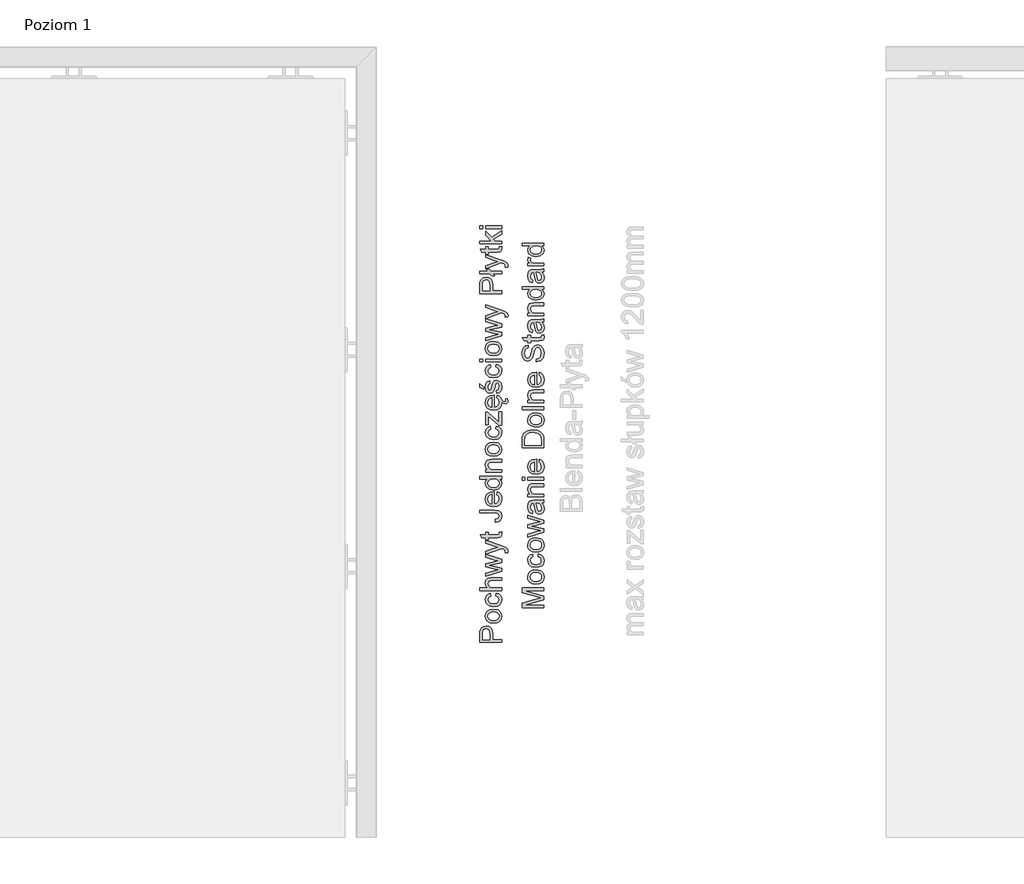
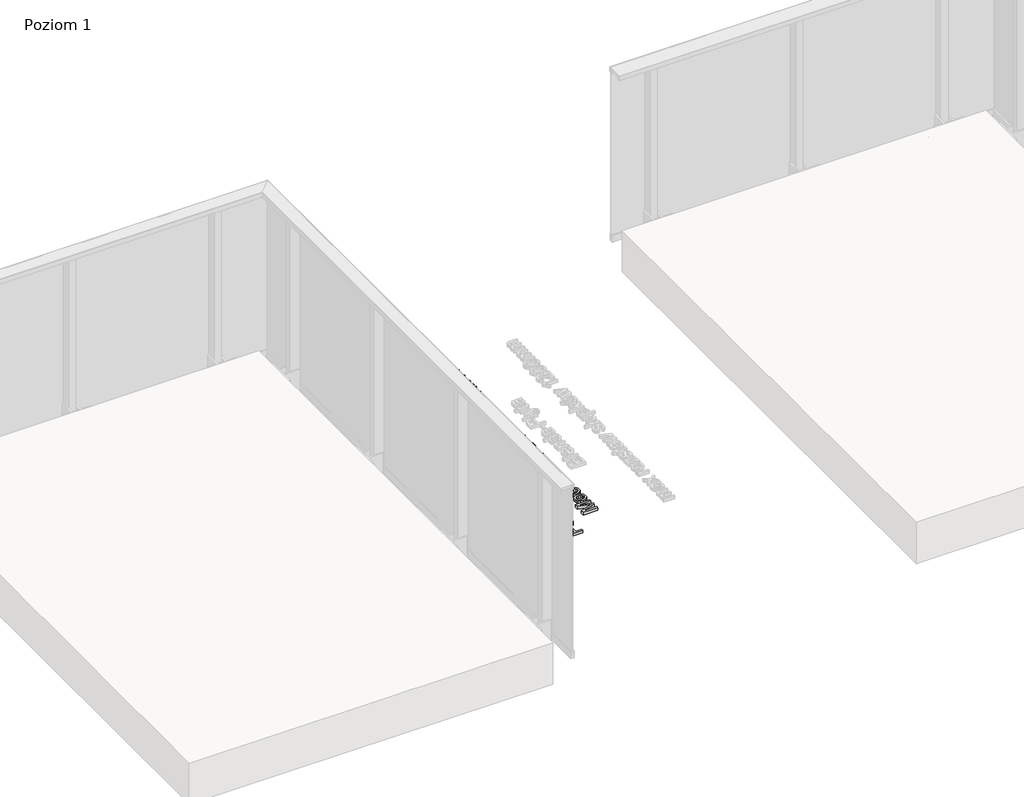
# One storey, part 31 of 35: 2 proxies.
"""IFC4 building model written with IfcOpenShell, lengths in millimetres."""

from ifc_helpers import new_model, si_unit, origin, origin_with_axes, place, context, project, spatial, polyline, outline, extrude, element, save

model = new_model("IFC4")

# Units and contexts
model_context = context("Model", 3, world=origin())
ifc_project = project(units=[si_unit("LENGTHUNIT", "METRE", prefix="MILLI")], contexts=[model_context])

# Site, building, storey
site = spatial("IfcSite", under=ifc_project)
building = spatial("IfcBuilding", under=site)
storey = spatial("IfcBuildingStorey", under=building, Name="Poziom 1", Elevation=0.0)

# Proxies
placement = place(None, origin())
element("IfcBuildingElementProxy", 1, Name="Generic Models", at=placement, inside=storey, context=model_context, shape_type="SweptSolid", body=[
    extrude(outline(polyline([(10115.5993765, 1269.5838992), (10015.1430664, 1269.5838992), (10015.1430664, 1306.8135571), (10016.0995596, 1321.8231425), (10020.7961864, 1334.024562), (10030.508271, 1341.9340249), (10044.205744, 1344.9261318), (10056.0454129, 1342.9058465), (10065.9107817, 1336.8449907), (10072.5694458, 1325.5111595), (10074.7890005, 1307.6719485), (10074.7890005, 1282.140938), (10115.5993765, 1282.140938), (10115.5993765, 1269.5838992)]), holes=[polyline([(10062.2319618, 1282.140938), (10062.2319618, 1308.4077124), (10057.6211741, 1326.8999141), (10052.0722873, 1331.0017983), (10044.6472024, 1332.3690931), (10034.2484047, 1329.1439942), (10028.5584965, 1320.6704456), (10027.7001052, 1308.1134068), (10027.7001052, 1282.140938), (10062.2319618, 1282.140938)])]), origin_with_axes(), (0.0, 0.0, 1.0), 20.0),
    extrude(outline(polyline([(10078.7130752, 1357.4831706), (10060.9259807, 1360.199366), (10048.4241242, 1368.3479522), (10042.298889, 1378.4156561), (10040.2571439, 1390.4699228), (10042.7434131, 1403.661558), (10050.2022205, 1414.1983115), (10062.0449551, 1421.105296), (10077.6830056, 1423.4076241), (10100.0257054, 1419.3363967), (10112.6685833, 1407.4783337), (10117.1690064, 1390.4699228), (10114.6919343, 1377.1188721), (10107.260718, 1366.5943813), (10095.1696631, 1359.7609733), (10078.7130752, 1357.4831706)]), holes=[polyline([(10078.6885497, 1370.0402094), (10090.0530377, 1371.4933433), (10098.1495072, 1375.8527449), (10102.9963525, 1382.4133071), (10104.6119676, 1390.4699228), (10102.9871555, 1398.4897503), (10098.112719, 1405.0380498), (10089.9089505, 1409.3974515), (10078.2961422, 1410.8505854), (10067.2627481, 1409.3882544), (10059.2766431, 1405.0012616), (10054.4297978, 1398.4437651), (10052.8141827, 1390.4699228), (10054.4236664, 1382.4133071), (10059.2521176, 1375.8527449), (10067.3301931, 1371.4933433), (10078.6885497, 1370.0402094)])]), origin_with_axes(), (0.0, 0.0, 1.0), 20.0),
    extrude(outline(polyline([(10088.9156692, 1484.6231881), (10090.485299, 1497.1802269), (10101.6535832, 1493.6792166), (10110.0934093, 1487.1002602), (10115.4001071, 1478.0626259), (10117.1690064, 1467.1855816), (10114.7011313, 1453.8283995), (10107.2975062, 1443.3836165), (10095.2830934, 1436.6421789), (10078.9828553, 1434.3950331), (10058.1239462, 1438.2332685), (10044.7207788, 1449.931916), (10040.2571439, 1467.0139033), (10041.7899856, 1477.6242332), (10046.3885105, 1486.1069788), (10053.8074641, 1492.1923602), (10063.8015916, 1495.6105971), (10065.3712215, 1483.0535583), (10055.9657051, 1477.22876), (10052.8141827, 1467.1120052), (10054.3654184, 1458.9971415), (10059.0191257, 1452.5561409), (10067.0266904, 1448.3530891), (10078.6394988, 1446.9520718), (10090.4086569, 1448.3224323), (10098.4438128, 1452.4335136), (10103.0699289, 1458.7580182), (10104.6119676, 1466.7686486), (10100.7614694, 1478.6021861), (10088.9156692, 1484.6231881)])), origin_with_axes(), (0.0, 0.0, 1.0), 20.0),
    extrude(outline(polyline([(10115.5993765, 1508.1676358), (10015.1430664, 1508.1676358), (10015.1430664, 1520.7246746), (10052.0784187, 1520.7246746), (10043.2124626, 1530.516467), (10040.2571439, 1542.5768651), (10043.4822427, 1556.6790083), (10052.3972498, 1565.238396), (10068.9028886, 1567.81357), (10115.5993765, 1567.81357), (10115.5993765, 1555.2565312), (10070.2027383, 1555.2565312), (10056.9589865, 1551.2588802), (10052.8141827, 1539.9281147), (10055.6100859, 1529.6396816), (10063.188455, 1522.772551), (10076.4076813, 1520.7246746), (10115.5993765, 1520.7246746), (10115.5993765, 1508.1676358)])), origin_with_axes(), (0.0, 0.0, 1.0), 20.0),
    extrude(outline(polyline([(10115.5993765, 1597.317706), (10041.8267738, 1574.8769043), (10041.8267738, 1587.9244524), (10084.8689672, 1600.6531694), (10100.2464346, 1604.4546167), (10085.4330529, 1607.5693509), (10041.8267738, 1617.6983685), (10041.8267738, 1632.658903), (10085.3104256, 1642.7388697), (10098.7258557, 1645.5102474), (10084.5746616, 1649.4833729), (10041.8267738, 1662.2366154), (10041.8267738, 1675.3332144), (10115.5993765, 1652.7207345), (10115.5993765, 1637.5394708), (10072.3364539, 1627.9009625), (10058.8474474, 1625.1050594), (10115.5993765, 1612.6706479), (10115.5993765, 1597.317706)])), origin_with_axes(), (0.0, 0.0, 1.0), 20.0),
    extrude(outline(polyline([(10143.8527138, 1683.9661786), (10131.7616589, 1682.3965487), (10132.8653048, 1688.77317), (10131.479616, 1694.7328583), (10127.616855, 1698.3871528), (10118.3707542, 1701.8207181), (10115.3295964, 1702.8017367), (10041.8267738, 1676.1180294), (10041.8267738, 1689.3617812), (10082.7843026, 1703.5129753), (10099.1673141, 1708.442594), (10084.6972889, 1713.3722127), (10041.8267738, 1727.9158143), (10041.8267738, 1741.0614642), (10117.3652101, 1715.383301), (10133.7482216, 1708.7123741), (10142.601915, 1701.4283106), (10145.4223436, 1691.6426496), (10143.8527138, 1683.9661786)])), origin_with_axes(), (0.0, 0.0, 1.0), 20.0),
    extrude(outline(polyline([(10105.1270024, 1778.1439694), (10115.9672585, 1779.7135992), (10117.1690064, 1770.3203456), (10115.0843417, 1759.7989205), (10109.6151627, 1754.5504707), (10095.3658668, 1753.0298918), (10054.3838125, 1753.0298918), (10054.3838125, 1743.6121127), (10041.8267738, 1743.6121127), (10041.8267738, 1753.0298918), (10023.8986579, 1753.0298918), (10016.5164925, 1765.5869306), (10041.8267738, 1765.5869306), (10041.8267738, 1778.1439694), (10054.3838125, 1778.1439694), (10054.3838125, 1765.5869306), (10094.9979848, 1765.5869306), (10101.4727079, 1766.2491182), (10103.765839, 1768.3950965), (10104.6119676, 1772.6747904), (10105.1270024, 1778.1439694)])), origin_with_axes(), (0.0, 0.0, 1.0), 20.0),
    extrude(outline(polyline([(10087.3950902, 1825.2328647), (10085.7764095, 1837.7899035), (10100.6143166, 1842.0818601), (10104.6119676, 1852.6768616), (10102.343362, 1861.2730375), (10096.1629445, 1866.2517072), (10083.7162703, 1867.6128706), (10015.1430664, 1867.6128706), (10015.1430664, 1880.1699093), (10083.4955411, 1880.1699093), (10103.0055496, 1877.1410143), (10113.5392374, 1867.5270314), (10117.1690064, 1852.0882504), (10115.2958739, 1840.4815734), (10109.6764764, 1831.9528425), (10100.3598649, 1826.7779691), (10087.3950902, 1825.2328647)])), origin_with_axes(), (0.0, 0.0, 1.0), 20.0),
    extrude(outline(polyline([(10093.6245587, 1952.2257295), (10095.1941885, 1964.5375136), (10104.4709462, 1960.1014699), (10111.4055218, 1953.0228071), (10115.7281352, 1943.4609409), (10117.1690064, 1931.5752868), (10114.6827372, 1916.8416129), (10107.2239298, 1905.5047161), (10095.276962, 1898.2758349), (10079.3262118, 1895.8662078), (10062.8389671, 1898.3003603), (10050.5087889, 1905.6028179), (10042.8200552, 1916.7864306), (10040.2571439, 1930.8640483), (10042.8139238, 1944.5032733), (10050.4842634, 1955.4017774), (10062.7899161, 1962.5478851), (10079.2526354, 1964.929921), (10082.6371498, 1964.8563446), (10082.6371498, 1908.4232466), (10092.0365347, 1910.596816), (10098.9465849, 1915.6459964), (10103.1956219, 1922.9331256), (10104.6119676, 1931.8205415), (10101.9877427, 1944.1323256), (10093.6245587, 1952.2257295)]), holes=[polyline([(10070.080111, 1908.4232466), (10070.080111, 1952.3728823), (10058.7002946, 1947.3451617), (10054.2857107, 1940.02431), (10052.8141827, 1930.8149974), (10057.5108095, 1915.3516908), (10063.0014483, 1910.4864514), (10070.080111, 1908.4232466)])]), origin_with_axes(), (0.0, 0.0, 1.0), 20.0),
    extrude(outline(polyline([(10115.5993765, 2023.0062253), (10103.7535763, 2023.0062253), (10113.8151489, 2014.6982236), (10117.1690064, 2003.214174), (10112.312964, 1987.6650283), (10098.7626439, 1976.6776194), (10078.7866516, 1972.7780703), (10058.7983965, 1976.3710511), (10045.0396099, 1987.1377308), (10040.2571439, 2003.1651231), (10043.6784465, 2014.7411432), (10052.568928, 2023.0062253), (10015.1430664, 2023.0062253), (10015.1430664, 2035.5632641), (10115.5993765, 2035.5632641), (10115.5993765, 2023.0062253)]), holes=[polyline([(10078.7376006, 1985.335109), (10090.0959572, 1986.7514547), (10098.1740327, 1991.0004918), (10103.0024839, 1997.1747779), (10104.6119676, 2004.3668709), (10103.0760603, 2011.5558982), (10098.4683383, 2017.5738345), (10090.7029625, 2021.6481276), (10079.6940938, 2023.0062253), (10067.6582212, 2021.6236022), (10059.3134313, 2017.4757327), (10054.4389948, 2011.3045122), (10052.8141827, 2003.8518361), (10054.3746155, 1996.5861667), (10059.0559139, 1990.6326098), (10067.0972012, 1986.6594842), (10078.7376006, 1985.335109)])]), origin_with_axes(), (0.0, 0.0, 1.0), 20.0),
    extrude(outline(polyline([(10115.5993765, 2054.3988223), (10041.8267738, 2054.3988223), (10041.8267738, 2066.955861), (10052.1274696, 2066.955861), (10043.2247253, 2076.5575811), (10040.2571439, 2089.6664429), (10042.6483769, 2101.5245058), (10048.9268963, 2109.6179097), (10058.1607344, 2113.3825688), (10070.3008402, 2114.0447564), (10115.5993765, 2114.0447564), (10115.5993765, 2101.4877176), (10071.9930974, 2101.4877176), (10060.8830611, 2100.0407151), (10055.0092119, 2094.9271554), (10052.8141827, 2086.306454), (10057.7438014, 2072.6825574), (10064.8868435, 2068.3875351), (10076.4567322, 2066.955861), (10115.5993765, 2066.955861), (10115.5993765, 2054.3988223)])), origin_with_axes(), (0.0, 0.0, 1.0), 20.0),
    extrude(outline(polyline([(10078.7130752, 2128.171425), (10060.9259807, 2130.8876204), (10048.4241242, 2139.0362066), (10042.298889, 2149.1039106), (10040.2571439, 2161.1581773), (10042.7434131, 2174.3498125), (10050.2022205, 2184.886566), (10062.0449551, 2191.7935504), (10077.6830056, 2194.0958786), (10100.0257054, 2190.0246512), (10112.6685833, 2178.1665882), (10117.1690064, 2161.1581773), (10114.6919343, 2147.8071265), (10107.260718, 2137.2826358), (10095.1696631, 2130.4492277), (10078.7130752, 2128.171425)]), holes=[polyline([(10078.6885497, 2140.7284638), (10090.0530377, 2142.1815977), (10098.1495072, 2146.5409993), (10102.9963525, 2153.1015616), (10104.6119676, 2161.1581773), (10102.9871555, 2169.1780048), (10098.112719, 2175.7263043), (10089.9089505, 2180.0857059), (10078.2961422, 2181.5388398), (10067.2627481, 2180.0765089), (10059.2766431, 2175.6895161), (10054.4297978, 2169.1320195), (10052.8141827, 2161.1581773), (10054.4236664, 2153.1015616), (10059.2521176, 2146.5409993), (10067.3301931, 2142.1815977), (10078.6885497, 2140.7284638)])]), origin_with_axes(), (0.0, 0.0, 1.0), 20.0),
    extrude(outline(polyline([(10088.9156692, 2255.3114426), (10090.485299, 2267.8684813), (10101.6535832, 2264.367471), (10110.0934093, 2257.7885147), (10115.4001071, 2248.7508803), (10117.1690064, 2237.873836), (10114.7011313, 2224.5166539), (10107.2975062, 2214.0718709), (10095.2830934, 2207.3304333), (10078.9828553, 2205.0832875), (10058.1239462, 2208.921523), (10044.7207788, 2220.6201704), (10040.2571439, 2237.7021577), (10041.7899856, 2248.3124876), (10046.3885105, 2256.7952333), (10053.8074641, 2262.8806146), (10063.8015916, 2266.2988515), (10065.3712215, 2253.7418127), (10055.9657051, 2247.9170145), (10052.8141827, 2237.8002596), (10054.3654184, 2229.6853959), (10059.0191257, 2223.2443953), (10067.0266904, 2219.0413435), (10078.6394988, 2217.6403263), (10090.4086569, 2219.0106867), (10098.4438128, 2223.121768), (10103.0699289, 2229.4462726), (10104.6119676, 2237.4569031), (10100.7614694, 2249.2904406), (10088.9156692, 2255.3114426)])), origin_with_axes(), (0.0, 0.0, 1.0), 20.0),
    extrude(outline(polyline([(10115.5993765, 2271.007741), (10103.7781018, 2271.007741), (10054.3838125, 2314.3442401), (10054.3838125, 2301.5174212), (10054.3838125, 2274.1470007), (10041.8267738, 2274.1470007), (10041.8267738, 2332.223305), (10052.4953516, 2332.223305), (10096.32236, 2293.7918993), (10103.0423378, 2287.9057873), (10103.0423378, 2302.4248634), (10103.0423378, 2333.7929349), (10115.5993765, 2333.7929349), (10115.5993765, 2271.007741)])), origin_with_axes(), (0.0, 0.0, 1.0), 20.0),
    extrude(outline(polyline([(10093.6245587, 2398.0006058), (10095.1941885, 2410.3123899), (10104.4709462, 2405.8763461), (10111.4055218, 2398.7976834), (10115.768218, 2388.9051767), (10121.6694295, 2383.0278086), (10128.9902812, 2380.8818303), (10133.9689508, 2382.4146719), (10136.0045645, 2387.3810788), (10135.5631061, 2390.5203385), (10134.3858838, 2393.438869), (10143.0433734, 2393.438869), (10145.4223436, 2384.6342266), (10144.4167995, 2378.8584793), (10141.6454218, 2374.7382009), (10137.5864571, 2372.2733916), (10132.6691011, 2371.4640512), (10123.7540941, 2373.9165978), (10116.8755159, 2379.771147), (10117.1690064, 2377.3501631), (10114.6827372, 2362.6164892), (10107.2239298, 2351.2795924), (10095.276962, 2344.0507112), (10079.3262118, 2341.6410841), (10062.8389671, 2344.0752366), (10050.5087889, 2351.3776942), (10042.8200552, 2362.5613069), (10040.2571439, 2376.6389246), (10042.8139238, 2390.2781495), (10050.4842634, 2401.1766537), (10062.7899161, 2408.3227614), (10079.2526354, 2410.7047973), (10082.6371498, 2410.6312209), (10082.6371498, 2354.1981229), (10092.0365347, 2356.3716923), (10098.9465849, 2361.4208727), (10103.1956219, 2368.7080019), (10104.6119676, 2377.5954178), (10101.9877427, 2389.9072019), (10093.6245587, 2398.0006058)]), holes=[polyline([(10070.080111, 2354.1981229), (10070.080111, 2398.1477586), (10058.7002946, 2393.120038), (10054.2857107, 2385.7991863), (10052.8141827, 2376.5898736), (10057.5108095, 2361.1265671), (10063.0014483, 2356.2613277), (10070.080111, 2354.1981229)])]), origin_with_axes(), (0.0, 0.0, 1.0), 20.0),
    extrude(outline(polyline([(10093.6245587, 2418.5529466), (10092.0549288, 2431.1099853), (10101.3746061, 2436.9225208), (10104.6119676, 2450.2398491), (10101.6443862, 2463.0421425), (10094.6791537, 2467.2114718), (10089.0382965, 2463.017617), (10085.4575784, 2450.0926963), (10079.3139491, 2431.1835617), (10072.1402502, 2422.9307423), (10062.0112326, 2420.1225764), (10052.6547672, 2422.3789193), (10045.5055937, 2428.5348114), (10041.7899856, 2436.5178507), (10040.2571439, 2447.3213186), (10042.7219533, 2462.6006841), (10049.3928801, 2472.3127688), (10060.6623319, 2476.6292509), (10062.2319618, 2464.0722121), (10055.3035175, 2459.3510598), (10052.8141827, 2448.3023372), (10055.1931529, 2436.2848587), (10060.7359083, 2432.6796152), (10064.3902028, 2434.1756686), (10067.1615805, 2438.8600327), (10069.8348563, 2449.6757633), (10075.7454937, 2468.1066513), (10082.440946, 2476.6660391), (10093.3547786, 2479.7685106), (10105.3722571, 2476.1264788), (10114.0910604, 2465.6173165), (10117.1690064, 2450.0681708), (10115.6852157, 2437.4068988), (10111.2338435, 2428.1669294), (10103.8639409, 2421.9987746), (10093.6245587, 2418.5529466)])), origin_with_axes(), (0.0, 0.0, 1.0), 20.0),
    extrude(outline(polyline([(10033.9786245, 2437.3885047), (10015.1430664, 2446.8062838), (10015.1430664, 2462.5025822), (10033.9786245, 2446.8062838), (10033.9786245, 2437.3885047)])), origin_with_axes(), (0.0, 0.0, 1.0), 20.0),
    extrude(outline(polyline([(10088.9156692, 2540.9840746), (10090.485299, 2553.5411133), (10101.6535832, 2550.040103), (10110.0934093, 2543.4611467), (10115.4001071, 2534.4235123), (10117.1690064, 2523.546468), (10114.7011313, 2510.1892859), (10107.2975062, 2499.7445029), (10095.2830934, 2493.0030653), (10078.9828553, 2490.7559195), (10058.1239462, 2494.594155), (10044.7207788, 2506.2928024), (10040.2571439, 2523.3747897), (10041.7899856, 2533.9851196), (10046.3885105, 2542.4678653), (10053.8074641, 2548.5532466), (10063.8015916, 2551.9714835), (10065.3712215, 2539.4144447), (10055.9657051, 2533.5896464), (10052.8141827, 2523.4728916), (10054.3654184, 2515.3580279), (10059.0191257, 2508.9170273), (10067.0266904, 2504.7139755), (10078.6394988, 2503.3129582), (10090.4086569, 2504.6833187), (10098.4438128, 2508.7944), (10103.0699289, 2515.1189046), (10104.6119676, 2523.1295351), (10100.7614694, 2534.9630726), (10088.9156692, 2540.9840746)])), origin_with_axes(), (0.0, 0.0, 1.0), 20.0),
    extrude(outline(polyline([(10027.7001052, 2564.5285222), (10015.1430664, 2564.5285222), (10015.1430664, 2577.085561), (10027.7001052, 2577.085561), (10027.7001052, 2564.5285222)])), origin_with_axes(), (0.0, 0.0, 1.0), 20.0),
    extrude(outline(polyline([(10115.5993765, 2564.5285222), (10041.8267738, 2564.5285222), (10041.8267738, 2577.085561), (10115.5993765, 2577.085561), (10115.5993765, 2564.5285222)])), origin_with_axes(), (0.0, 0.0, 1.0), 20.0),
    extrude(outline(polyline([(10078.7130752, 2592.7818595), (10060.9259807, 2595.4980549), (10048.4241242, 2603.6466411), (10042.298889, 2613.714345), (10040.2571439, 2625.7686117), (10042.7434131, 2638.9602469), (10050.2022205, 2649.4970004), (10062.0449551, 2656.4039849), (10077.6830056, 2658.706313), (10100.0257054, 2654.6350856), (10112.6685833, 2642.7770226), (10117.1690064, 2625.7686117), (10114.6919343, 2612.417561), (10107.260718, 2601.8930702), (10095.1696631, 2595.0596622), (10078.7130752, 2592.7818595)]), holes=[polyline([(10078.6885497, 2605.3388982), (10090.0530377, 2606.7920321), (10098.1495072, 2611.1514338), (10102.9963525, 2617.711996), (10104.6119676, 2625.7686117), (10102.9871555, 2633.7884392), (10098.112719, 2640.3367387), (10089.9089505, 2644.6961404), (10078.2961422, 2646.1492742), (10067.2627481, 2644.6869433), (10059.2766431, 2640.2999505), (10054.4297978, 2633.742454), (10052.8141827, 2625.7686117), (10054.4236664, 2617.711996), (10059.2521176, 2611.1514338), (10067.3301931, 2606.7920321), (10078.6885497, 2605.3388982)])]), origin_with_axes(), (0.0, 0.0, 1.0), 20.0),
    extrude(outline(polyline([(10115.5993765, 2685.0711893), (10041.8267738, 2662.6303876), (10041.8267738, 2675.6779357), (10084.8689672, 2688.4066528), (10100.2464346, 2692.2081), (10085.4330529, 2695.3228343), (10041.8267738, 2705.4518519), (10041.8267738, 2720.4123863), (10085.3104256, 2730.492353), (10098.7258557, 2733.2637307), (10084.5746616, 2737.2368562), (10041.8267738, 2749.9900987), (10041.8267738, 2763.0866978), (10115.5993765, 2740.4742178), (10115.5993765, 2725.2929541), (10072.3364539, 2715.6544459), (10058.8474474, 2712.8585427), (10115.5993765, 2700.4241313), (10115.5993765, 2685.0711893)])), origin_with_axes(), (0.0, 0.0, 1.0), 20.0),
    extrude(outline(polyline([(10143.8527138, 2771.7196619), (10131.7616589, 2770.1500321), (10132.8653048, 2776.5266533), (10131.479616, 2782.4863417), (10127.616855, 2786.1406361), (10118.3707542, 2789.5742014), (10115.3295964, 2790.5552201), (10041.8267738, 2763.8715127), (10041.8267738, 2777.1152645), (10082.7843026, 2791.2664586), (10099.1673141, 2796.1960773), (10084.6972889, 2801.1256961), (10041.8267738, 2815.6692976), (10041.8267738, 2828.8149476), (10117.3652101, 2803.1367843), (10133.7482216, 2796.4658575), (10142.601915, 2789.181794), (10145.4223436, 2779.3961329), (10143.8527138, 2771.7196619)])), origin_with_axes(), (0.0, 0.0, 1.0), 20.0),
    extrude(outline(polyline([(10115.5993765, 2880.0241213), (10015.1430664, 2880.0241213), (10015.1430664, 2917.2537792), (10016.0995596, 2932.2633646), (10020.7961864, 2944.4647841), (10030.508271, 2952.374247), (10044.205744, 2955.3663539), (10056.0454129, 2953.3460686), (10065.9107817, 2947.2852128), (10072.5694458, 2935.9513816), (10074.7890005, 2918.1121705), (10074.7890005, 2892.5811601), (10115.5993765, 2892.5811601), (10115.5993765, 2880.0241213)]), holes=[polyline([(10062.2319618, 2892.5811601), (10062.2319618, 2918.8479345), (10057.6211741, 2937.3401362), (10052.0722873, 2941.4420204), (10044.6472024, 2942.8093152), (10034.2484047, 2939.5842163), (10028.5584965, 2931.1106677), (10027.7001052, 2918.5536289), (10027.7001052, 2892.5811601), (10062.2319618, 2892.5811601)])]), origin_with_axes(), (0.0, 0.0, 1.0), 20.0),
    extrude(outline(polyline([(10075.8926465, 2971.0626524), (10083.4219647, 2961.6448733), (10069.2952961, 2961.6448733), (10061.7659779, 2971.0626524), (10015.1430664, 2971.0626524), (10015.1430664, 2983.6196911), (10051.7105367, 2983.6196911), (10044.1812185, 2993.0374702), (10058.3078872, 2993.0374702), (10065.8372053, 2983.6196911), (10115.5993765, 2983.6196911), (10115.5993765, 2971.0626524), (10075.8926465, 2971.0626524)])), origin_with_axes(), (0.0, 0.0, 1.0), 20.0),
    extrude(outline(polyline([(10143.8527138, 3002.4552493), (10131.7616589, 3000.8856195), (10132.8653048, 3007.2622407), (10131.479616, 3013.221929), (10127.616855, 3016.8762235), (10118.3707542, 3020.3097888), (10115.3295964, 3021.2908075), (10041.8267738, 2994.6071001), (10041.8267738, 3007.8508519), (10082.7843026, 3022.002046), (10099.1673141, 3026.9316647), (10084.6972889, 3031.8612834), (10041.8267738, 3046.404885), (10041.8267738, 3059.550535), (10117.3652101, 3033.8723717), (10133.7482216, 3027.2014448), (10142.601915, 3019.9173813), (10145.4223436, 3010.1317203), (10143.8527138, 3002.4552493)])), origin_with_axes(), (0.0, 0.0, 1.0), 20.0),
    extrude(outline(polyline([(10105.1270024, 3096.6330401), (10115.9672585, 3098.2026699), (10117.1690064, 3088.8094163), (10115.0843417, 3078.2879912), (10109.6151627, 3073.0395414), (10095.3658668, 3071.5189625), (10054.3838125, 3071.5189625), (10054.3838125, 3062.1011835), (10041.8267738, 3062.1011835), (10041.8267738, 3071.5189625), (10023.8986579, 3071.5189625), (10016.5164925, 3084.0760013), (10041.8267738, 3084.0760013), (10041.8267738, 3096.6330401), (10054.3838125, 3096.6330401), (10054.3838125, 3084.0760013), (10094.9979848, 3084.0760013), (10101.4727079, 3084.7381889), (10103.765839, 3086.8841672), (10104.6119676, 3091.1638611), (10105.1270024, 3096.6330401)])), origin_with_axes(), (0.0, 0.0, 1.0), 20.0),
    extrude(outline(polyline([(10115.5993765, 3109.1900788), (10015.1430664, 3109.1900788), (10015.1430664, 3121.7471176), (10069.1236178, 3121.7471176), (10041.8267738, 3149.902353), (10041.8267738, 3167.2663831), (10069.4669743, 3138.7677912), (10115.5993765, 3168.836013), (10115.5993765, 3154.1697841), (10078.1980404, 3129.7669451), (10085.9726132, 3121.7471176), (10115.5993765, 3121.7471176), (10115.5993765, 3109.1900788)])), origin_with_axes(), (0.0, 0.0, 1.0), 20.0),
    extrude(outline(polyline([(10027.7001052, 3179.8234219), (10015.1430664, 3179.8234219), (10015.1430664, 3192.3804607), (10027.7001052, 3192.3804607), (10027.7001052, 3179.8234219)])), origin_with_axes(), (0.0, 0.0, 1.0), 20.0),
    extrude(outline(polyline([(10115.5993765, 3179.8234219), (10041.8267738, 3179.8234219), (10041.8267738, 3192.3804607), (10115.5993765, 3192.3804607), (10115.5993765, 3179.8234219)])), origin_with_axes(), (0.0, 0.0, 1.0), 20.0),
])
element("IfcBuildingElementProxy", 2, Name="Generic Models", at=placement, inside=storey, context=model_context, shape_type="SweptSolid", body=[
    extrude(outline(polyline([(10311.0111089, 1428.6091584), (10210.5547987, 1428.6091584), (10210.5547987, 1450.2160943), (10281.3598201, 1470.7684351), (10296.1486763, 1474.9132389), (10280.1335468, 1479.4013992), (10210.5547987, 1499.6103835), (10210.5547987, 1521.2173194), (10311.0111089, 1521.2173194), (10311.0111089, 1508.6602806), (10223.1118375, 1508.6602806), (10311.0111089, 1483.4235757), (10311.0111089, 1466.4029021), (10223.1118375, 1441.1661972), (10311.0111089, 1441.1661972), (10311.0111089, 1428.6091584)])), origin_with_axes(), (0.0, 0.0, 1.0), 20.0),
    extrude(outline(polyline([(10274.1248075, 1538.4832477), (10256.337713, 1541.1994431), (10243.8358566, 1549.3480293), (10237.7106214, 1559.4157332), (10235.6688763, 1571.4699999), (10238.1551454, 1584.6616351), (10245.6139529, 1595.1983886), (10257.4566874, 1602.1053731), (10273.0947379, 1604.4077012), (10295.4374378, 1600.3364738), (10308.0803157, 1588.4784108), (10312.5807387, 1571.4699999), (10310.1036666, 1558.1189492), (10302.6724503, 1547.5944584), (10290.5813954, 1540.7610504), (10274.1248075, 1538.4832477)]), holes=[polyline([(10274.100282, 1551.0402864), (10285.46477, 1552.4934203), (10293.5612396, 1556.852822), (10298.4080849, 1563.4133842), (10300.0237, 1571.4699999), (10298.3988878, 1579.4898274), (10293.5244514, 1586.0381269), (10285.3206829, 1590.3975286), (10273.7078746, 1591.8506624), (10262.6744804, 1590.3883315), (10254.6883754, 1586.0013387), (10249.8415301, 1579.4438422), (10248.225915, 1571.4699999), (10249.8353988, 1563.4133842), (10254.66385, 1556.852822), (10262.7419254, 1552.4934203), (10274.100282, 1551.0402864)])]), origin_with_axes(), (0.0, 0.0, 1.0), 20.0),
    extrude(outline(polyline([(10284.3274015, 1665.6232652), (10285.8970314, 1678.180304), (10297.0653156, 1674.6792937), (10305.5051417, 1668.1003373), (10310.8118395, 1659.062703), (10312.5807387, 1648.1856586), (10310.1128637, 1634.8284765), (10302.7092385, 1624.3836935), (10290.6948257, 1617.642256), (10274.3945876, 1615.3951101), (10253.5356785, 1619.2333456), (10240.1325112, 1630.9319931), (10235.6688763, 1648.0139804), (10237.2017179, 1658.6243102), (10241.8002429, 1667.1070559), (10249.2191964, 1673.1924373), (10259.213324, 1676.6106741), (10260.7829538, 1664.0536354), (10251.3774375, 1658.2288371), (10248.225915, 1648.1120822), (10249.7771508, 1639.9972186), (10254.430858, 1633.556218), (10262.4384228, 1629.3531662), (10274.0512311, 1627.9521489), (10285.8203893, 1629.3225093), (10293.8555452, 1633.4335906), (10298.4816613, 1639.7580953), (10300.0237, 1647.7687257), (10296.1732018, 1659.6022632), (10284.3274015, 1665.6232652)])), origin_with_axes(), (0.0, 0.0, 1.0), 20.0),
    extrude(outline(polyline([(10274.1248075, 1686.0284532), (10256.337713, 1688.7446486), (10243.8358566, 1696.8932348), (10237.7106214, 1706.9609387), (10235.6688763, 1719.0152054), (10238.1551454, 1732.2068406), (10245.6139529, 1742.7435941), (10257.4566874, 1749.6505786), (10273.0947379, 1751.9529067), (10295.4374378, 1747.8816793), (10308.0803157, 1736.0236163), (10312.5807387, 1719.0152054), (10310.1036666, 1705.6641547), (10302.6724503, 1695.139664), (10290.5813954, 1688.3062559), (10274.1248075, 1686.0284532)]), holes=[polyline([(10274.100282, 1698.585492), (10285.46477, 1700.0386259), (10293.5612396, 1704.3980275), (10298.4080849, 1710.9585897), (10300.0237, 1719.0152054), (10298.3988878, 1727.0350329), (10293.5244514, 1733.5833324), (10285.3206829, 1737.9427341), (10273.7078746, 1739.395868), (10262.6744804, 1737.933537), (10254.6883754, 1733.5465442), (10249.8415301, 1726.9890477), (10248.225915, 1719.0152054), (10249.8353988, 1710.9585897), (10254.66385, 1704.3980275), (10262.7419254, 1700.0386259), (10274.100282, 1698.585492)])]), origin_with_axes(), (0.0, 0.0, 1.0), 20.0),
    extrude(outline(polyline([(10311.0111089, 1778.3177831), (10237.2385061, 1755.8769814), (10237.2385061, 1768.9245295), (10280.2806996, 1781.6532465), (10295.658167, 1785.4546938), (10280.8447853, 1788.569428), (10237.2385061, 1798.6984456), (10237.2385061, 1813.6589801), (10280.722158, 1823.7389467), (10294.137588, 1826.5103244), (10279.986394, 1830.48345), (10237.2385061, 1843.2366925), (10237.2385061, 1856.3332915), (10311.0111089, 1833.7208115), (10311.0111089, 1818.5395479), (10267.7481863, 1808.9010396), (10254.2591798, 1806.1051364), (10311.0111089, 1793.670725), (10311.0111089, 1778.3177831)])), origin_with_axes(), (0.0, 0.0, 1.0), 20.0),
    extrude(outline(polyline([(10301.5933298, 1912.055151), (10310.1036666, 1899.878257), (10312.5807387, 1886.4260387), (10311.0908167, 1875.9322048), (10306.6210504, 1868.1913545), (10299.8336276, 1863.4180856), (10291.3907358, 1861.826996), (10281.4579219, 1864.2304917), (10274.2474348, 1870.5457993), (10270.1271565, 1879.3381789), (10268.2386956, 1890.2029605), (10263.9222135, 1911.9815746), (10261.1263103, 1912.055151), (10251.8556841, 1908.5970603), (10248.225915, 1894.7156463), (10250.6416735, 1882.0114548), (10259.213324, 1875.9536646), (10257.6436941, 1863.3966258), (10245.380961, 1868.8290166), (10238.1949993, 1879.7673746), (10235.6688763, 1896.3343271), (10237.9006937, 1911.552379), (10243.5047628, 1920.1485549), (10252.0273623, 1923.9990532), (10263.0147713, 1924.6121898), (10278.6374933, 1924.6121898), (10300.4528956, 1925.2498519), (10311.0111089, 1927.7514495), (10311.0111089, 1915.1944107), (10301.5933298, 1912.055151)]), holes=[polyline([(10276.4792523, 1912.055151), (10280.3297505, 1891.7971158), (10282.3653642, 1880.9936479), (10285.6763022, 1876.1008174), (10290.507819, 1874.3840347), (10297.3013732, 1878.1241684), (10300.0237, 1889.0993145), (10297.0193303, 1901.8035061), (10289.7475296, 1909.9950119), (10280.0354449, 1911.9815746), (10276.4792523, 1912.055151)])]), origin_with_axes(), (0.0, 0.0, 1.0), 20.0),
    extrude(outline(polyline([(10311.0111089, 1941.8781181), (10237.2385061, 1941.8781181), (10237.2385061, 1954.4351569), (10247.539202, 1954.4351569), (10238.6364577, 1964.036877), (10235.6688763, 1977.1457387), (10238.0601092, 1989.0038017), (10244.3386286, 1997.0972056), (10253.5724667, 2000.8618647), (10265.7125726, 2001.5240523), (10311.0111089, 2001.5240523), (10311.0111089, 1988.9670135), (10267.4048297, 1988.9670135), (10256.2947935, 1987.520011), (10250.4209443, 1982.4064513), (10248.225915, 1973.7857498), (10253.1555338, 1960.1618533), (10260.2985759, 1955.866831), (10271.8684646, 1954.4351569), (10311.0111089, 1954.4351569), (10311.0111089, 1941.8781181)])), origin_with_axes(), (0.0, 0.0, 1.0), 20.0),
    extrude(outline(polyline([(10223.1118375, 2018.7899806), (10210.5547987, 2018.7899806), (10210.5547987, 2031.3470193), (10223.1118375, 2031.3470193), (10223.1118375, 2018.7899806)])), origin_with_axes(), (0.0, 0.0, 1.0), 20.0),
    extrude(outline(polyline([(10311.0111089, 2018.7899806), (10237.2385061, 2018.7899806), (10237.2385061, 2031.3470193), (10311.0111089, 2031.3470193), (10311.0111089, 2018.7899806)])), origin_with_axes(), (0.0, 0.0, 1.0), 20.0),
    extrude(outline(polyline([(10289.036291, 2101.8332096), (10290.6059209, 2114.1449937), (10299.8826785, 2109.70895), (10306.8172541, 2102.6302873), (10311.1398676, 2093.0684211), (10312.5807387, 2081.182767), (10310.0944696, 2066.4490931), (10302.6356621, 2055.1121962), (10290.6886943, 2047.883315), (10274.7379442, 2045.473688), (10258.2506994, 2047.9078405), (10245.9205212, 2055.2102981), (10238.2317875, 2066.3939108), (10235.6688763, 2080.4715284), (10238.2256561, 2094.1107534), (10245.8959957, 2105.0092575), (10258.2016485, 2112.1553653), (10274.6643678, 2114.5374012), (10278.0488821, 2114.4638248), (10278.0488821, 2058.0307267), (10287.4482671, 2060.2042962), (10294.3583172, 2065.2534766), (10298.6073543, 2072.5406058), (10300.0237, 2081.4280216), (10297.3994751, 2093.7398057), (10289.036291, 2101.8332096)]), holes=[polyline([(10265.4918434, 2058.0307267), (10265.4918434, 2101.9803624), (10254.112027, 2096.9526418), (10249.697443, 2089.6317901), (10248.225915, 2080.4224775), (10252.9225419, 2064.959171), (10258.4131806, 2060.0939316), (10265.4918434, 2058.0307267)])]), origin_with_axes(), (0.0, 0.0, 1.0), 20.0),
    extrude(outline(polyline([(10311.0111089, 2167.904816), (10210.5547987, 2167.904816), (10210.5547987, 2202.5592999), (10212.0018013, 2220.4874158), (10219.1877629, 2235.2517465), (10236.3555893, 2247.1465977), (10260.2433936, 2251.0951978), (10280.5136915, 2248.421922), (10295.1431322, 2241.5547914), (10304.2543429, 2232.382267), (10309.2943262, 2220.3770512), (10311.0111089, 2204.2270316), (10311.0111089, 2167.904816)]), holes=[polyline([(10298.4540701, 2180.4618547), (10298.4540701, 2202.6819272), (10296.6391856, 2218.8442096), (10291.5133631, 2228.1638868), (10279.0421635, 2235.8035695), (10260.0471898, 2238.538159), (10246.3619796, 2237.1984554), (10236.2574875, 2233.1793446), (10225.1229257, 2220.1440593), (10223.1118375, 2202.3385707), (10223.1118375, 2180.4618547), (10298.4540701, 2180.4618547)])]), origin_with_axes(), (0.0, 0.0, 1.0), 20.0),
    extrude(outline(polyline([(10274.1248075, 2263.6522366), (10256.337713, 2266.368432), (10243.8358566, 2274.5170182), (10237.7106214, 2284.5847221), (10235.6688763, 2296.6389888), (10238.1551454, 2309.830624), (10245.6139529, 2320.3673775), (10257.4566874, 2327.2743619), (10273.0947379, 2329.5766901), (10295.4374378, 2325.5054627), (10308.0803157, 2313.6473997), (10312.5807387, 2296.6389888), (10310.1036666, 2283.2879381), (10302.6724503, 2272.7634473), (10290.5813954, 2265.9300393), (10274.1248075, 2263.6522366)]), holes=[polyline([(10274.100282, 2276.2092753), (10285.46477, 2277.6624092), (10293.5612396, 2282.0218109), (10298.4080849, 2288.5823731), (10300.0237, 2296.6389888), (10298.3988878, 2304.6588163), (10293.5244514, 2311.2071158), (10285.3206829, 2315.5665175), (10273.7078746, 2317.0196513), (10262.6744804, 2315.5573204), (10254.6883754, 2311.1703276), (10249.8415301, 2304.612831), (10248.225915, 2296.6389888), (10249.8353988, 2288.5823731), (10254.66385, 2282.0218109), (10262.7419254, 2277.6624092), (10274.100282, 2276.2092753)])]), origin_with_axes(), (0.0, 0.0, 1.0), 20.0),
    extrude(outline(polyline([(10311.0111089, 2343.7033587), (10210.5547987, 2343.7033587), (10210.5547987, 2356.2603975), (10311.0111089, 2356.2603975), (10311.0111089, 2343.7033587)])), origin_with_axes(), (0.0, 0.0, 1.0), 20.0),
    extrude(outline(polyline([(10311.0111089, 2375.0959556), (10237.2385061, 2375.0959556), (10237.2385061, 2387.6529944), (10247.539202, 2387.6529944), (10238.6364577, 2397.2547145), (10235.6688763, 2410.3635762), (10238.0601092, 2422.2216392), (10244.3386286, 2430.3150431), (10253.5724667, 2434.0797022), (10265.7125726, 2434.7418898), (10311.0111089, 2434.7418898), (10311.0111089, 2422.184851), (10267.4048297, 2422.184851), (10256.2947935, 2420.7378485), (10250.4209443, 2415.6242888), (10248.225915, 2407.0035874), (10253.1555338, 2393.3796908), (10260.2985759, 2389.0846685), (10271.8684646, 2387.6529944), (10311.0111089, 2387.6529944), (10311.0111089, 2375.0959556)])), origin_with_axes(), (0.0, 0.0, 1.0), 20.0),
    extrude(outline(polyline([(10289.036291, 2503.6584502), (10290.6059209, 2515.9702343), (10299.8826785, 2511.5341906), (10306.8172541, 2504.4555279), (10311.1398676, 2494.8936617), (10312.5807387, 2483.0080076), (10310.0944696, 2468.2743336), (10302.6356621, 2456.9374368), (10290.6886943, 2449.7085556), (10274.7379442, 2447.2989286), (10258.2506994, 2449.7330811), (10245.9205212, 2457.0355387), (10238.2317875, 2468.2191513), (10235.6688763, 2482.296769), (10238.2256561, 2495.935994), (10245.8959957, 2506.8344981), (10258.2016485, 2513.9806059), (10274.6643678, 2516.3626418), (10278.0488821, 2516.2890654), (10278.0488821, 2459.8559673), (10287.4482671, 2462.0295368), (10294.3583172, 2467.0787172), (10298.6073543, 2474.3658464), (10300.0237, 2483.2532622), (10297.3994751, 2495.5650463), (10289.036291, 2503.6584502)]), holes=[polyline([(10265.4918434, 2459.8559673), (10265.4918434, 2503.805603), (10254.112027, 2498.7778824), (10249.697443, 2491.4570307), (10248.225915, 2482.2477181), (10252.9225419, 2466.7844116), (10258.4131806, 2461.9191722), (10265.4918434, 2459.8559673)])]), origin_with_axes(), (0.0, 0.0, 1.0), 20.0),
    extrude(outline(polyline([(10276.4792523, 2565.021167), (10276.4792523, 2577.5782058), (10289.0485538, 2581.6249077), (10296.9948049, 2591.5086707), (10300.0237, 2606.567307), (10297.7305689, 2619.6884315), (10291.427524, 2628.1619801), (10283.0030263, 2630.9456205), (10275.1671398, 2628.8609559), (10269.4649689, 2620.3260936), (10264.6702402, 2602.0423585), (10258.47756, 2582.3606717), (10249.1333573, 2571.6798311), (10236.6498949, 2568.1604267), (10222.4373872, 2572.513697), (10212.4064714, 2585.2301513), (10208.9851689, 2603.8449802), (10212.565887, 2623.710608), (10223.087312, 2636.9543598), (10238.808136, 2641.9330295), (10238.808136, 2629.3759907), (10231.315606, 2627.0705969), (10225.9077407, 2622.2636055), (10221.5422077, 2604.3354896), (10225.8586897, 2586.3583227), (10236.2820129, 2580.7174655), (10244.9885535, 2584.7151165), (10252.0028369, 2605.2184064), (10258.3058817, 2627.4384789), (10268.4839502, 2639.5908474), (10282.6841953, 2643.5026593), (10297.7060434, 2639.0022362), (10308.6689269, 2626.05279), (10312.5807387, 2607.0578163), (10308.3623585, 2584.6292774), (10295.658167, 2570.4412951), (10276.4792523, 2565.021167)])), origin_with_axes(), (0.0, 0.0, 1.0), 20.0),
    extrude(outline(polyline([(10300.5387348, 2687.452295), (10311.3789909, 2689.0219249), (10312.5807387, 2679.6286712), (10310.4960741, 2669.1072462), (10305.0268951, 2663.8587964), (10290.7775992, 2662.3382175), (10249.7955449, 2662.3382175), (10249.7955449, 2652.9204384), (10237.2385061, 2652.9204384), (10237.2385061, 2662.3382175), (10219.3103902, 2662.3382175), (10211.9282249, 2674.8952562), (10237.2385061, 2674.8952562), (10237.2385061, 2687.452295), (10249.7955449, 2687.452295), (10249.7955449, 2674.8952562), (10290.4097172, 2674.8952562), (10296.8844403, 2675.5574438), (10299.1775714, 2677.7034221), (10300.0237, 2681.983116), (10300.5387348, 2687.452295)])), origin_with_axes(), (0.0, 0.0, 1.0), 20.0),
    extrude(outline(polyline([(10301.5933298, 2747.0982292), (10310.1036666, 2734.9213351), (10312.5807387, 2721.4691168), (10311.0908167, 2710.9752829), (10306.6210504, 2703.2344326), (10299.8336276, 2698.4611637), (10291.3907358, 2696.8700741), (10281.4579219, 2699.2735698), (10274.2474348, 2705.5888774), (10270.1271565, 2714.3812571), (10268.2386956, 2725.2460386), (10263.9222135, 2747.0246528), (10261.1263103, 2747.0982292), (10251.8556841, 2743.6401384), (10248.225915, 2729.7587245), (10250.6416735, 2717.0545329), (10259.213324, 2710.9967427), (10257.6436941, 2698.4397039), (10245.380961, 2703.8720947), (10238.1949993, 2714.8104527), (10235.6688763, 2731.3774052), (10237.9006937, 2746.5954571), (10243.5047628, 2755.1916331), (10252.0273623, 2759.0421313), (10263.0147713, 2759.6552679), (10278.6374933, 2759.6552679), (10300.4528956, 2760.2929301), (10311.0111089, 2762.7945276), (10311.0111089, 2750.2374889), (10301.5933298, 2747.0982292)]), holes=[polyline([(10276.4792523, 2747.0982292), (10280.3297505, 2726.840194), (10282.3653642, 2716.036726), (10285.6763022, 2711.1438955), (10290.507819, 2709.4271129), (10297.3013732, 2713.1672465), (10300.0237, 2724.1423927), (10297.0193303, 2736.8465842), (10289.7475296, 2745.03809), (10280.0354449, 2747.0246528), (10276.4792523, 2747.0982292)])]), origin_with_axes(), (0.0, 0.0, 1.0), 20.0),
    extrude(outline(polyline([(10311.0111089, 2776.9211962), (10237.2385061, 2776.9211962), (10237.2385061, 2789.478235), (10247.539202, 2789.478235), (10238.6364577, 2799.0799551), (10235.6688763, 2812.1888168), (10238.0601092, 2824.0468798), (10244.3386286, 2832.1402837), (10253.5724667, 2835.9049428), (10265.7125726, 2836.5671304), (10311.0111089, 2836.5671304), (10311.0111089, 2824.0100916), (10267.4048297, 2824.0100916), (10256.2947935, 2822.5630891), (10250.4209443, 2817.4495294), (10248.225915, 2808.828828), (10253.1555338, 2795.2049314), (10260.2985759, 2790.9099091), (10271.8684646, 2789.478235), (10311.0111089, 2789.478235), (10311.0111089, 2776.9211962)])), origin_with_axes(), (0.0, 0.0, 1.0), 20.0),
    extrude(outline(polyline([(10311.0111089, 2899.3523242), (10299.1653086, 2899.3523242), (10309.2268812, 2891.0443225), (10312.5807387, 2879.5602729), (10307.7246964, 2864.0111272), (10294.1743762, 2853.0237183), (10274.1983839, 2849.1241692), (10254.2101288, 2852.71715), (10240.4513422, 2863.4838297), (10235.6688763, 2879.511222), (10239.0901788, 2891.0872421), (10247.9806604, 2899.3523242), (10210.5547987, 2899.3523242), (10210.5547987, 2911.909363), (10311.0111089, 2911.909363), (10311.0111089, 2899.3523242)]), holes=[polyline([(10274.149333, 2861.6812079), (10285.5076896, 2863.0975536), (10293.5857651, 2867.3465906), (10298.4142162, 2873.5208768), (10300.0237, 2880.7129698), (10298.4877926, 2887.9019971), (10293.8800706, 2893.9199334), (10286.1146949, 2897.9942265), (10275.1058262, 2899.3523242), (10263.0699536, 2897.9697011), (10254.7251636, 2893.8218316), (10249.8507272, 2887.6506111), (10248.225915, 2880.197935), (10249.7863478, 2872.9322656), (10254.4676462, 2866.9787087), (10262.5089335, 2863.0055831), (10274.149333, 2861.6812079)])]), origin_with_axes(), (0.0, 0.0, 1.0), 20.0),
    extrude(outline(polyline([(10301.5933298, 2977.8338165), (10310.1036666, 2965.6569225), (10312.5807387, 2952.2047042), (10311.0908167, 2941.7108703), (10306.6210504, 2933.97002), (10299.8336276, 2929.1967511), (10291.3907358, 2927.6056615), (10281.4579219, 2930.0091572), (10274.2474348, 2936.3244647), (10270.1271565, 2945.1168444), (10268.2386956, 2955.981626), (10263.9222135, 2977.7602401), (10261.1263103, 2977.8338165), (10251.8556841, 2974.3757258), (10248.225915, 2960.4943118), (10250.6416735, 2947.7901203), (10259.213324, 2941.7323301), (10257.6436941, 2929.1752913), (10245.380961, 2934.6076821), (10238.1949993, 2945.5460401), (10235.6688763, 2962.1129926), (10237.9006937, 2977.3310445), (10243.5047628, 2985.9272204), (10252.0273623, 2989.7777186), (10263.0147713, 2990.3908553), (10278.6374933, 2990.3908553), (10300.4528956, 2991.0285174), (10311.0111089, 2993.530115), (10311.0111089, 2980.9730762), (10301.5933298, 2977.8338165)]), holes=[polyline([(10276.4792523, 2977.8338165), (10280.3297505, 2957.5757813), (10282.3653642, 2946.7723134), (10285.6763022, 2941.8794829), (10290.507819, 2940.1627002), (10297.3013732, 2943.9028338), (10300.0237, 2954.87798), (10297.0193303, 2967.5821716), (10289.7475296, 2975.7736774), (10280.0354449, 2977.7602401), (10276.4792523, 2977.8338165)])]), origin_with_axes(), (0.0, 0.0, 1.0), 20.0),
    extrude(outline(polyline([(10311.0111089, 3007.6567836), (10237.2385061, 3007.6567836), (10237.2385061, 3018.6441925), (10248.1523386, 3018.6441925), (10238.0968974, 3026.4432908), (10235.6688763, 3034.2914401), (10239.5439, 3046.8975298), (10250.801089, 3042.703675), (10248.225915, 3033.8745071), (10250.7029871, 3026.7743846), (10257.5701177, 3022.2494361), (10272.2363466, 3020.2138224), (10311.0111089, 3020.2138224), (10311.0111089, 3007.6567836)])), origin_with_axes(), (0.0, 0.0, 1.0), 20.0),
    extrude(outline(polyline([(10311.0111089, 3100.2649445), (10299.1653086, 3100.2649445), (10309.2268812, 3091.9569428), (10312.5807387, 3080.4728932), (10307.7246964, 3064.9237475), (10294.1743762, 3053.9363386), (10274.1983839, 3050.0367895), (10254.2101288, 3053.6297703), (10240.4513422, 3064.39645), (10235.6688763, 3080.4238423), (10239.0901788, 3091.9998624), (10247.9806604, 3100.2649445), (10210.5547987, 3100.2649445), (10210.5547987, 3112.8219833), (10311.0111089, 3112.8219833), (10311.0111089, 3100.2649445)]), holes=[polyline([(10274.149333, 3062.5938282), (10285.5076896, 3064.0101739), (10293.5857651, 3068.2592109), (10298.4142162, 3074.4334971), (10300.0237, 3081.6255901), (10298.4877926, 3088.8146174), (10293.8800706, 3094.8325537), (10286.1146949, 3098.9068468), (10275.1058262, 3100.2649445), (10263.0699536, 3098.8823214), (10254.7251636, 3094.7344519), (10249.8507272, 3088.5632314), (10248.225915, 3081.1105553), (10249.7863478, 3073.8448859), (10254.4676462, 3067.891329), (10262.5089335, 3063.9182034), (10274.149333, 3062.5938282)])]), origin_with_axes(), (0.0, 0.0, 1.0), 20.0),
])

save(model, "model.ifc")
